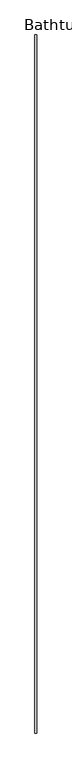
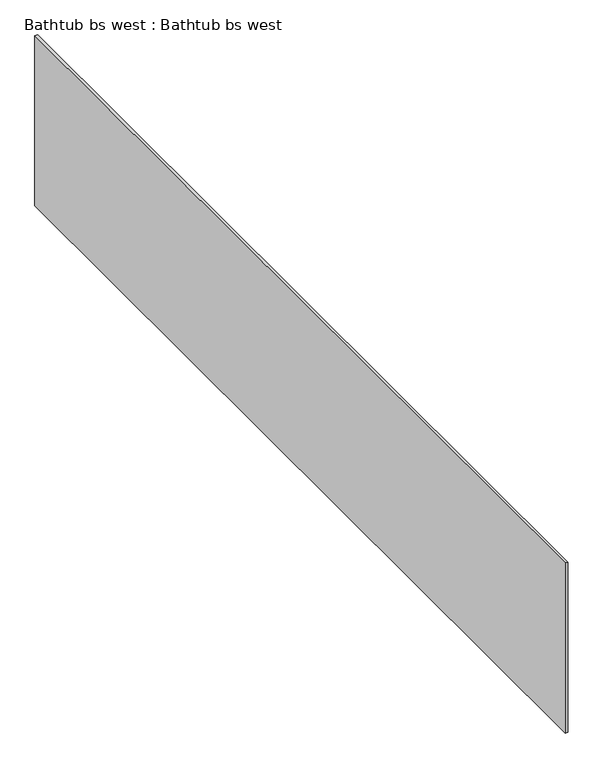
"""IFC4 building model written with IfcOpenShell, lengths in millimetres: proxy geometry, Bathtub bs west : Bathtub bs west."""

from ifc_helpers import new_model, si_unit, frame, origin, place, context, project, spatial, polyline, outline, extrude, source, transform, mapped, element, save


def bathtub_bs_west_bathtub_bs_west_f053002b(model_context):
    return source(origin(), model_context, "Body", "SweptSolid", [
        extrude(outline(polyline([(-8436.0823603, 8028.2251285), (-8436.0823603, 10234.8501285), (-8429.7323603, 10234.8501285), (-8429.7323603, 8028.2251285), (-8436.0823603, 8028.2251285)])), frame((0.0, 0.0, 3556.0206095), z_axis=(0.0, 0.0, 1.0), x_axis=(1.0, 0.0, 0.0)), (0.0, 0.0, 1.0), 431.7793905),
    ])


if __name__ == "__main__":
    model = new_model("IFC4")
    model_context = context("Model", 3, world=origin())
    ifc_project = project(units=[si_unit("LENGTHUNIT", "METRE", prefix="MILLI")], contexts=[model_context])
    site = spatial("IfcSite", under=ifc_project)
    building = spatial("IfcBuilding", under=site)
    placement = place(None, origin())
    bathtub_bs_west_bathtub_bs_west_shape = bathtub_bs_west_bathtub_bs_west_f053002b(model_context)
    element("IfcBuildingElementProxy", 1, Name="Bathtub bs west : Bathtub bs west", ObjectType="Bathtub bs west : Bathtub bs west", at=placement, inside=building, context=model_context, shape_type="MappedRepresentation", body=[
        mapped(bathtub_bs_west_bathtub_bs_west_shape, transform((0.0, 0.0, 0.0), x_axis=(1.0, 0.0, 0.0), y_axis=(0.0, 1.0, 0.0), z_axis=(0.0, 0.0, 1.0))),
    ])
    save(model, "model.ifc")
